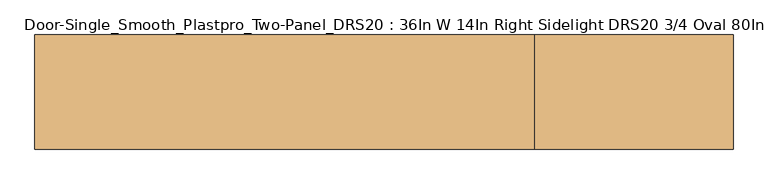
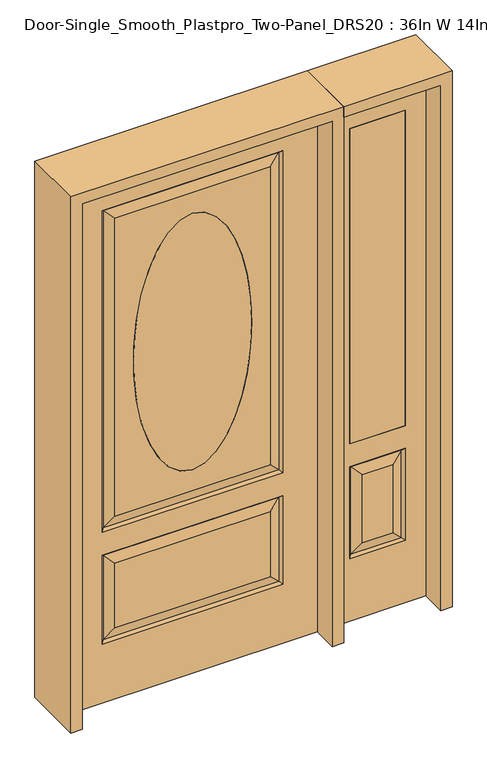
"""IFC4 building model written with IfcOpenShell, lengths in millimetres: door geometry, Door-Single_Smooth_Plastpro_Two-Panel_DRS20 : 36In W 14In Right Sidelight DRS20 3/4 Oval 80In Smooth."""

from ifc_helpers import new_model, si_unit, point, frame, origin, place, context, project, spatial, polyline, ellipse_curve, trimmed, outline, extrude, faceted_brep, source, transform, mapped, element, save
from ifc_brep_helpers import plane_surface, extruded_surface, advanced_brep


def door_single_smooth_plastpro_two_panel_drs20_36in_w_14in_c76b0858(model_context):
    return source(origin(), model_context, "Body", "SolidModel", [
        extrude(outline(polyline([(574.675, -20.6375), (574.675, 20.6375), (777.875, 20.6375), (777.875, -20.6375), (574.675, -20.6375)])), frame((0.0, 0.0, 685.8), z_axis=(0.0, 0.0, 1.0), x_axis=(1.0, 0.0, 0.0)), (0.0, 0.0, 1.0), 1219.2),
        faceted_brep([(854.075, -20.6375, 0.0), (854.075, -20.6375, 2032.0), (498.475, -20.6375, 2032.0), (498.475, -20.6375, 0.0), (574.675, -20.6375, 685.8), (574.675, -20.6375, 1905.0), (777.875, -20.6375, 1905.0), (777.875, -20.6375, 685.8), (574.675, -20.6375, 241.3), (574.675, -20.6375, 596.9), (777.875, -20.6375, 596.9), (777.875, -20.6375, 241.3), (731.8375, -20.6375, 287.3375), (731.8375, -20.6375, 550.8625), (620.7125, -20.6375, 550.8625), (620.7125, -20.6375, 287.3375), (498.475, 20.6375, 0.0), (854.075, 20.6375, 0.0), (498.475, 20.6375, 2032.0), (854.075, 20.6375, 2032.0), (583.6552561, -11.6572439, 250.2802561), (768.8947439, -11.6572439, 250.2802561), (768.8947439, -11.6572439, 587.9197439), (583.6552561, -11.6572439, 587.9197439), (777.875, 20.6375, 685.8), (574.675, 20.6375, 685.8), (777.875, 20.6375, 1905.0), (574.675, 20.6375, 1905.0), (777.875, 20.6375, 241.3), (777.875, 20.6375, 596.9), (574.675, 20.6375, 596.9), (574.675, 20.6375, 241.3), (620.7125, 20.6375, 287.3375), (620.7125, 20.6375, 550.8625), (731.8375, 20.6375, 550.8625), (731.8375, 20.6375, 287.3375), (583.6552561, 11.6572439, 250.2802561), (768.8947439, 11.6572439, 250.2802561), (583.6552561, 11.6572439, 587.9197439), (768.8947439, 11.6572439, 587.9197439)], [[[0, 1, 2, 3], [4, 5, 6, 7], [8, 9, 10, 11]], [[12, 13, 14, 15]], [[3, 16, 17, 0]], [[2, 18, 16, 3]], [[0, 17, 19, 1]], [[20, 8, 11, 21]], [[11, 10, 22, 21]], [[10, 9, 23, 22]], [[20, 23, 9, 8]], [[21, 12, 15, 20]], [[15, 14, 23, 20]], [[22, 23, 14, 13]], [[21, 22, 13, 12]], [[4, 7, 24, 25]], [[7, 6, 26, 24]], [[25, 27, 5, 4]], [[17, 16, 18, 19], [24, 26, 27, 25], [28, 29, 30, 31]], [[32, 33, 34, 35]], [[28, 31, 36, 37]], [[31, 30, 38, 36]], [[39, 38, 30, 29]], [[37, 39, 29, 28]], [[36, 32, 35, 37]], [[35, 34, 39, 37]], [[34, 33, 38, 39]], [[36, 38, 33, 32]], [[1, 19, 18, 2]], [[27, 26, 6, 5]]]),
        advanced_brep(
        [(0.0, -20.6375, 1778.0), (0.0, -20.6375, 787.4), (0.0, 20.6375, 1778.0), (0.0, 20.6375, 787.4)],
        [
            (0, 1, ellipse_curve(frame((0.0, -20.6375, 1282.7), z_axis=(0.0, -1.0, 0.0), x_axis=(0.0, 0.0, -1.0)), 495.3, 215.9)),
            (1, 0, ellipse_curve(frame((0.0, -20.6375, 1282.7), z_axis=(0.0, -1.0, 0.0), x_axis=(0.0, 0.0, -1.0)), 495.3, 215.9)),
            (0, 2),
            (2, 3, ellipse_curve(frame((0.0, 20.6375, 1282.7), z_axis=(0.0, -1.0, 0.0), x_axis=(0.0, 0.0, -1.0)), 495.3, 215.9)),
            (3, 1),
            (3, 2, ellipse_curve(frame((0.0, 20.6375, 1282.7), z_axis=(0.0, -1.0, 0.0), x_axis=(0.0, 0.0, -1.0)), 495.3, 215.9)),
        ],
        [
            plane_surface(frame((0.0, -20.6375, 787.4), z_axis=(0.0, -1.0, 0.0), x_axis=(1.0, 0.0, 0.0))),
            extruded_surface(trimmed(ellipse_curve(frame((0.0, 61.9125, 1282.7), z_axis=(0.0, -1.0, 0.0), x_axis=(0.0, 0.0, -1.0)), 495.3, 215.9), [point((0.0, 61.9125, 1778.0))], [point((0.0, 61.9125, 787.4))], True, "CARTESIAN"), (0.0, -41.275000000000006, 0.0), 41.275000000000006),
            extruded_surface(trimmed(ellipse_curve(frame((0.0, 61.9125, 1282.7), z_axis=(0.0, -1.0, 0.0), x_axis=(0.0, 0.0, -1.0)), 495.3, 215.9), [point((0.0, 61.9125, 787.4))], [point((0.0, 61.9125, 1778.0))], True, "CARTESIAN"), (0.0, -41.275000000000006, 0.0), 41.275000000000006),
            plane_surface(frame((0.0, 20.6375, 787.4), z_axis=(0.0, 1.0, 0.0), x_axis=(-1.0, 0.0, 0.0))),
        ],
        [
            (0, [[1, 2]]),
            (1, [[-1, 3, 4, 5]]),
            (2, [[-2, -5, 6, -3]]),
            (3, [[-6, -4]]),
        ],
    ),
        advanced_brep(
        [(457.2, 20.6375, 0.0), (457.2, -20.6375, 0.0), (-457.2, -20.6375, 0.0), (-457.2, 20.6375, 0.0), (457.2, 20.6375, 2032.0), (457.2, -20.6375, 2032.0), (-284.1625, -20.6375, 706.4375), (284.1625, -20.6375, 706.4375), (284.1625, -20.6375, 1858.9625), (-284.1625, -20.6375, 1858.9625), (0.0, -20.6375, 787.4), (0.0, -20.6375, 1778.0), (-284.1625, -20.6375, 274.6375), (284.1625, -20.6375, 274.6375), (284.1625, -20.6375, 525.4625), (-284.1625, -20.6375, 525.4625), (-457.2, -20.6375, 2032.0), (330.2, -20.6375, 660.4), (-330.2, -20.6375, 660.4), (-330.2, -20.6375, 1905.0), (330.2, -20.6375, 1905.0), (330.2, -20.6375, 228.6), (-330.2, -20.6375, 228.6), (-330.2, -20.6375, 571.5), (330.2, -20.6375, 571.5), (-457.2, 20.6375, 2032.0), (-284.1625, 20.6375, 525.4625), (284.1625, 20.6375, 525.4625), (284.1625, 20.6375, 274.6375), (-284.1625, 20.6375, 274.6375), (-284.1625, 20.6375, 1858.9625), (284.1625, 20.6375, 1858.9625), (284.1625, 20.6375, 706.4375), (-284.1625, 20.6375, 706.4375), (0.0, 20.6375, 1778.0), (0.0, 20.6375, 787.4), (330.2, 20.6375, 571.5), (-330.2, 20.6375, 571.5), (-330.2, 20.6375, 228.6), (330.2, 20.6375, 228.6), (330.2, 20.6375, 1905.0), (-330.2, 20.6375, 1905.0), (-330.2, 20.6375, 660.4), (330.2, 20.6375, 660.4), (-321.2197439, 11.6572439, 1896.0197439), (-321.2197439, 11.6572439, 669.3802561), (321.2197439, 11.6572439, 669.3802561), (321.2197439, 11.6572439, 1896.0197439), (321.2197439, 11.6572439, 562.5197439), (-321.2197439, 11.6572439, 562.5197439), (-321.2197439, 11.6572439, 237.5802561), (321.2197439, 11.6572439, 237.5802561), (321.2197439, -11.6572439, 669.3802561), (-321.2197439, -11.6572439, 669.3802561), (-321.2197439, -11.6572439, 1896.0197439), (321.2197439, -11.6572439, 1896.0197439), (321.2197439, -11.6572439, 237.5802561), (-321.2197439, -11.6572439, 237.5802561), (-321.2197439, -11.6572439, 562.5197439), (321.2197439, -11.6572439, 562.5197439)],
        [
            (0, 1),
            (1, 2),
            (2, 3),
            (3, 0),
            (4, 5),
            (5, 1),
            (0, 4),
            (6, 7),
            (7, 8),
            (8, 9),
            (9, 6),
            (10, 11, ellipse_curve(frame((0.0, -20.6375, 1282.7), z_axis=(0.0, 1.0, 0.0), x_axis=(0.0, 0.0, -1.0)), 495.3, 215.9)),
            (11, 10, ellipse_curve(frame((0.0, -20.6375, 1282.7), z_axis=(0.0, 1.0, 0.0), x_axis=(0.0, 0.0, -1.0)), 495.3, 215.9)),
            (12, 13),
            (13, 14),
            (14, 15),
            (15, 12),
            (5, 16),
            (16, 2),
            (17, 18),
            (18, 19),
            (19, 20),
            (20, 17),
            (21, 22),
            (22, 23),
            (23, 24),
            (24, 21),
            (16, 25),
            (25, 3),
            (26, 27),
            (27, 28),
            (28, 29),
            (29, 26),
            (30, 31),
            (31, 32),
            (32, 33),
            (33, 30),
            (34, 35, ellipse_curve(frame((0.0, 20.6375, 1282.7), z_axis=(0.0, -1.0, 0.0), x_axis=(0.0, 0.0, -1.0)), 495.3, 215.9)),
            (35, 34, ellipse_curve(frame((0.0, 20.6375, 1282.7), z_axis=(0.0, -1.0, 0.0), x_axis=(0.0, 0.0, -1.0)), 495.3, 215.9)),
            (25, 4),
            (36, 37),
            (37, 38),
            (38, 39),
            (39, 36),
            (40, 41),
            (41, 42),
            (42, 43),
            (43, 40),
            (41, 44),
            (44, 45),
            (45, 42),
            (45, 46),
            (46, 43),
            (47, 40),
            (46, 47),
            (31, 47),
            (46, 32),
            (45, 33),
            (44, 30),
            (48, 49),
            (49, 37),
            (36, 48),
            (49, 50),
            (50, 38),
            (50, 51),
            (51, 39),
            (51, 48),
            (48, 27),
            (26, 49),
            (51, 28),
            (50, 29),
            (10, 35),
            (34, 11),
            (52, 53),
            (53, 18),
            (17, 52),
            (53, 54),
            (54, 19),
            (20, 55),
            (55, 52),
            (52, 7),
            (6, 53),
            (55, 8),
            (9, 54),
            (56, 57),
            (57, 22),
            (21, 56),
            (57, 58),
            (58, 23),
            (58, 59),
            (59, 24),
            (59, 56),
            (56, 13),
            (12, 57),
            (59, 14),
            (58, 15),
            (54, 55),
            (47, 44),
        ],
        [
            plane_surface(frame((-457.2, 20.6375, 0.0), z_axis=(0.0, 0.0, -1.0), x_axis=(1.0, 0.0, 0.0))),
            plane_surface(frame((457.2, -20.6375, 2032.0), z_axis=(1.0, 0.0, 0.0), x_axis=(0.0, 0.0, -1.0))),
            plane_surface(frame((-457.2, -20.6375, 2032.0), z_axis=(0.0, -1.0, 0.0), x_axis=(0.0, 0.0, -1.0))),
            plane_surface(frame((-457.2, 20.6375, 2032.0), z_axis=(-1.0, 0.0, 0.0), x_axis=(0.0, 0.0, -1.0))),
            plane_surface(frame((457.2, 20.6375, 2032.0), z_axis=(0.0, 1.0, 0.0), x_axis=(0.0, 0.0, -1.0))),
            plane_surface(frame((-330.2, 20.6375, 1905.0), z_axis=(0.7071067811865436, 0.7071067811865516, 0.0), x_axis=(0.0, 0.0, -1.0))),
            plane_surface(frame((-330.2, 20.6375, 660.4), z_axis=(0.0, 0.7071067811865516, 0.7071067811865436), x_axis=(1.0, 0.0, 0.0))),
            plane_surface(frame((330.2, 20.6375, 660.4), z_axis=(-0.7071067811865436, 0.7071067811865516, 0.0), x_axis=(0.0, 0.0, 1.0))),
            plane_surface(frame((321.2197439, 11.6572439, 669.3802561), z_axis=(0.2355178326930706, 0.9718700275672457, 0.0), x_axis=(0.0, 0.0, 1.0))),
            plane_surface(frame((-321.2197439, 11.6572439, 669.3802561), z_axis=(0.0, 0.9718700275672457, -0.2355178326930706), x_axis=(1.0, 0.0, 0.0))),
            plane_surface(frame((-321.2197439, 11.6572439, 1896.0197439), z_axis=(-0.2355178326930706, 0.9718700275672457, 0.0), x_axis=(0.0, 0.0, -1.0))),
            plane_surface(frame((330.2, 20.6375, 571.5), z_axis=(0.0, 0.7071067811865542, -0.7071067811865409), x_axis=(-1.0, 0.0, 0.0))),
            plane_surface(frame((-330.2, 20.6375, 571.5), z_axis=(0.7071067811865409, 0.7071067811865542, 0.0), x_axis=(0.0, 0.0, -1.0))),
            plane_surface(frame((-330.2, 20.6375, 228.6), z_axis=(0.0, 0.7071067811865542, 0.7071067811865409), x_axis=(1.0, 0.0, 0.0))),
            plane_surface(frame((330.2, 20.6375, 228.6), z_axis=(-0.7071067811865409, 0.7071067811865542, 0.0), x_axis=(0.0, 0.0, 1.0))),
            plane_surface(frame((321.2197439, 11.6572439, 562.5197439), z_axis=(0.0, 0.9718700275672457, 0.2355178326930706), x_axis=(-1.0, 0.0, 0.0))),
            plane_surface(frame((321.2197439, 11.6572439, 237.5802561), z_axis=(0.2355178326930706, 0.9718700275672457, 0.0), x_axis=(0.0, 0.0, 1.0))),
            plane_surface(frame((-321.2197439, 11.6572439, 237.5802561), z_axis=(0.0, 0.9718700275672457, -0.2355178326930706), x_axis=(1.0, 0.0, 0.0))),
            plane_surface(frame((-321.2197439, 11.6572439, 562.5197439), z_axis=(-0.2355178326930706, 0.9718700275672457, 0.0), x_axis=(0.0, 0.0, -1.0))),
            extruded_surface(trimmed(ellipse_curve(frame((0.0, 20.6375, 1282.7), z_axis=(0.0, -1.0, 0.0), x_axis=(0.0, 0.0, -1.0)), 495.3, 215.9), [point((0.0, 20.6375, 1778.0))], [point((0.0, 20.6375, 787.4))], True, "CARTESIAN"), (0.0, 41.275000000000006, 0.0), 41.275000000000006),
            extruded_surface(trimmed(ellipse_curve(frame((0.0, 20.6375, 1282.7), z_axis=(0.0, -1.0, 0.0), x_axis=(0.0, 0.0, -1.0)), 495.3, 215.9), [point((0.0, 20.6375, 787.4))], [point((0.0, 20.6375, 1778.0))], True, "CARTESIAN"), (0.0, 41.275000000000006, 0.0), 41.275000000000006),
            plane_surface(frame((330.2, -20.6375, 660.4), z_axis=(0.0, -0.7071067811865466, 0.7071067811865486), x_axis=(-1.0, 0.0, 0.0))),
            plane_surface(frame((-330.2, -20.6375, 660.4), z_axis=(0.7071067811865486, -0.7071067811865466, 0.0), x_axis=(0.0, 0.0, 1.0))),
            plane_surface(frame((330.2, -20.6375, 1905.0), z_axis=(-0.7071067811865486, -0.7071067811865466, 0.0), x_axis=(0.0, 0.0, -1.0))),
            plane_surface(frame((321.2197439, -11.6572439, 669.3802561), z_axis=(0.0, -0.9718700275672454, -0.23551783269307167), x_axis=(-1.0, 0.0, 0.0))),
            plane_surface(frame((321.2197439, -11.6572439, 1896.0197439), z_axis=(0.23551783269307167, -0.9718700275672454, 0.0), x_axis=(0.0, 0.0, -1.0))),
            plane_surface(frame((-321.2197439, -11.6572439, 669.3802561), z_axis=(-0.23551783269307167, -0.9718700275672454, 0.0), x_axis=(0.0, 0.0, 1.0))),
            plane_surface(frame((330.2, -20.6375, 228.6), z_axis=(0.0, -0.7071067811865489, 0.7071067811865462), x_axis=(-1.0, 0.0, 0.0))),
            plane_surface(frame((-330.2, -20.6375, 228.6), z_axis=(0.7071067811865462, -0.7071067811865489, 0.0), x_axis=(0.0, 0.0, 1.0))),
            plane_surface(frame((-330.2, -20.6375, 571.5), z_axis=(0.0, -0.7071067811865489, -0.7071067811865462), x_axis=(1.0, 0.0, 0.0))),
            plane_surface(frame((330.2, -20.6375, 571.5), z_axis=(-0.7071067811865462, -0.7071067811865489, 0.0), x_axis=(0.0, 0.0, -1.0))),
            plane_surface(frame((321.2197439, -11.6572439, 237.5802561), z_axis=(0.0, -0.9718700275672454, -0.2355178326930719), x_axis=(-1.0, 0.0, 0.0))),
            plane_surface(frame((321.2197439, -11.6572439, 562.5197439), z_axis=(0.2355178326930719, -0.9718700275672454, 0.0), x_axis=(0.0, 0.0, -1.0))),
            plane_surface(frame((-321.2197439, -11.6572439, 562.5197439), z_axis=(0.0, -0.9718700275672454, 0.2355178326930719), x_axis=(1.0, 0.0, 0.0))),
            plane_surface(frame((-321.2197439, -11.6572439, 237.5802561), z_axis=(-0.2355178326930719, -0.9718700275672454, 0.0), x_axis=(0.0, 0.0, 1.0))),
            plane_surface(frame((-457.2, 20.6375, 2032.0), z_axis=(0.0, 0.0, 1.0), x_axis=(-1.0, 0.0, 0.0))),
            plane_surface(frame((-330.2, -20.6375, 1905.0), z_axis=(0.0, -0.7071067811865466, -0.7071067811865486), x_axis=(1.0, 0.0, 0.0))),
            plane_surface(frame((-321.2197439, -11.6572439, 1896.0197439), z_axis=(0.0, -0.9718700275672454, 0.23551783269307167), x_axis=(1.0, 0.0, 0.0))),
            plane_surface(frame((330.2, 20.6375, 1905.0), z_axis=(0.0, 0.7071067811865516, -0.7071067811865436), x_axis=(-1.0, 0.0, 0.0))),
            plane_surface(frame((321.2197439, 11.6572439, 1896.0197439), z_axis=(0.0, 0.9718700275672457, 0.2355178326930706), x_axis=(-1.0, 0.0, 0.0))),
        ],
        [
            (0, [[1, 2, 3, 4]]),
            (1, [[5, 6, -1, 7]]),
            (2, [[8, 9, 10, 11], [12, 13]]),
            (2, [[14, 15, 16, 17]]),
            (2, [[18, 19, -2, -6], [20, 21, 22, 23], [24, 25, 26, 27]]),
            (3, [[28, 29, -3, -19]]),
            (4, [[30, 31, 32, 33]]),
            (4, [[34, 35, 36, 37], [38, 39]]),
            (4, [[40, -7, -4, -29], [41, 42, 43, 44], [45, 46, 47, 48]]),
            (5, [[49, 50, 51, -46]]),
            (6, [[-51, 52, 53, -47]]),
            (7, [[54, -48, -53, 55]]),
            (8, [[56, -55, 57, -35]]),
            (9, [[58, -36, -57, -52]]),
            (10, [[59, -37, -58, -50]]),
            (11, [[60, 61, -41, 62]]),
            (12, [[-61, 63, 64, -42]]),
            (13, [[-64, 65, 66, -43]]),
            (14, [[-62, -44, -66, 67]]),
            (15, [[-60, 68, -30, 69]]),
            (16, [[-68, -67, 70, -31]]),
            (17, [[71, -32, -70, -65]]),
            (18, [[-69, -33, -71, -63]]),
            (19, [[72, -38, 73, -12]]),
            (20, [[-72, -13, -73, -39]]),
            (21, [[74, 75, -20, 76]]),
            (22, [[-75, 77, 78, -21]]),
            (23, [[-76, -23, 79, 80]]),
            (24, [[-74, 81, -8, 82]]),
            (25, [[-81, -80, 83, -9]]),
            (26, [[-82, -11, 84, -77]]),
            (27, [[85, 86, -24, 87]]),
            (28, [[-86, 88, 89, -25]]),
            (29, [[-89, 90, 91, -26]]),
            (30, [[-87, -27, -91, 92]]),
            (31, [[-85, 93, -14, 94]]),
            (32, [[-93, -92, 95, -15]]),
            (33, [[96, -16, -95, -90]]),
            (34, [[-94, -17, -96, -88]]),
            (35, [[-40, -28, -18, -5]]),
            (36, [[-78, 97, -79, -22]]),
            (37, [[-84, -10, -83, -97]]),
            (38, [[98, -49, -45, -54]]),
            (39, [[-98, -56, -34, -59]]),
        ],
    ),
        extrude(outline(polyline([(2073.275, -498.475), (0.0, -498.475), (0.0, -457.2), (2032.0, -457.2), (2032.0, 457.2), (0.0, 457.2), (0.0, 498.475), (2073.275, 498.475), (2073.275, -498.475)])), frame((0.0, -114.3, 0.0), z_axis=(0.0, 1.0, 0.0), x_axis=(0.0, 0.0, 1.0)), (0.0, 0.0, 1.0), 228.6),
        extrude(outline(polyline([(0.0, 854.075), (0.0, 895.35), (2073.275, 895.35), (2073.275, 498.475), (2032.0, 498.475), (2032.0, 854.075), (0.0, 854.075)])), frame((0.0, -114.3, 0.0), z_axis=(0.0, 1.0, 0.0), x_axis=(0.0, 0.0, 1.0)), (0.0, 0.0, 1.0), 228.6),
    ])


if __name__ == "__main__":
    model = new_model("IFC4")
    model_context = context("Model", 3, world=origin())
    ifc_project = project(units=[si_unit("LENGTHUNIT", "METRE", prefix="MILLI")], contexts=[model_context])
    site = spatial("IfcSite", under=ifc_project)
    building = spatial("IfcBuilding", under=site)
    placement = place(None, origin())
    door_single_smooth_plastpro_two_panel_drs20_36in_w_14in_shape = door_single_smooth_plastpro_two_panel_drs20_36in_w_14in_c76b0858(model_context)
    element("IfcDoor", 1, ObjectType="Door-Single_Smooth_Plastpro_Two-Panel_DRS20 : 36In W 14In Right Sidelight DRS20 3/4 Oval 80In Smooth", at=placement, inside=building, context=model_context, shape_type="MappedRepresentation", body=[
        mapped(door_single_smooth_plastpro_two_panel_drs20_36in_w_14in_shape, transform((0.0, 0.0, 0.0), x_axis=(1.0, 0.0, 0.0), y_axis=(0.0, 1.0, 0.0), z_axis=(0.0, 0.0, 1.0))),
    ])
    save(model, "model.ifc")
